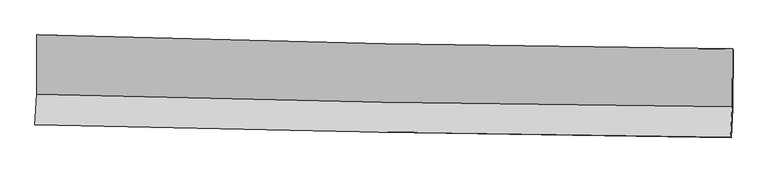
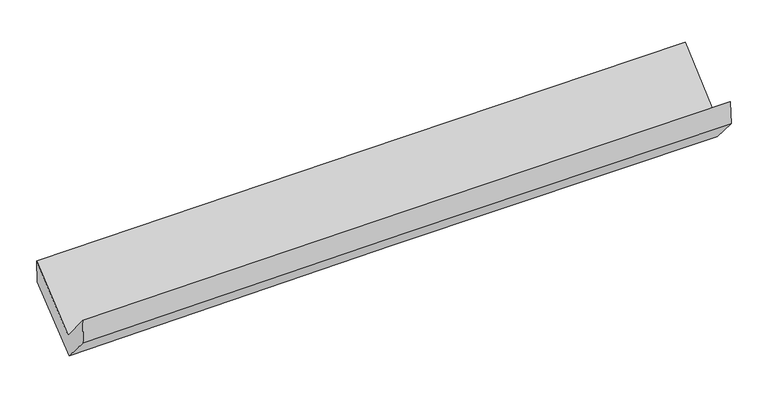
"""IFC4 building model written with IfcOpenShell, lengths in millimetres: proxy geometry."""

from ifc_helpers import new_model, si_unit, frame, origin, place, context, project, spatial, source, transform, mapped, element, save
from ifc_brep_helpers import plane_surface, spline_curve, spline_surface, advanced_brep


def generic_models_99c99aaf(model_context):
    return source(origin(), model_context, "Body", "AdvancedBrep", [
        advanced_brep(
        [(-3029.6962504, -1156.3546185, 2180.8542767), (-3031.8099884, -1673.8190231, 1749.9325371), (3020.7083655, -1783.0205489, 1883.4616484), (3022.4152774, -1277.6591459, 2318.5188331), (-3046.3717894, -1937.0467965, 2067.1258249), (3006.2221423, -2045.310471, 2198.5823695), (-3040.6924487, -1937.0972579, 1841.192626), (3011.5556143, -2050.8040726, 1980.9881961), (-3026.9782565, -1681.6112049, 1550.0063536), (3025.0918258, -1798.6336788, 1693.5808949), (-3024.47752, -1159.582491, 1970.0785913), (3027.5553202, -1284.3792395, 2107.3972374)],
        [
            (0, 1),
            (1, 2, spline_curve(3, [(-3031.8099884, -1673.8190231, 1749.9325371), (-2023.513669524, -1702.043108338, 1781.266270551), (-1015.000150335, -1725.255187476, 1808.060417504), (1002.505948149, -1761.656139716, 1852.570523396), (2011.498547125, -1774.844569382, 1870.286080223), (3020.7083655, -1783.0205489, 1883.4616484)], [4, 2, 4], [0.0, 9.932693478834933, 19.865826718434327])),
            (2, 3),
            (3, 0, spline_curve(3, [(3022.4152774, -1277.6591459, 2318.5188331), (2013.146395952, -1268.911152005, 2308.261649599), (1004.158169715, -1254.42809366, 2291.660617134), (-1013.212314703, -1213.992743639, 2245.771869884), (-2021.594597748, -1188.040959259, 2216.484716879), (-3029.6962504, -1156.3546185, 2180.8542767)], [4, 2, 4], [0.0, 9.933133239599394, 19.865826718434327])),
            (1, 4),
            (4, 5, spline_curve(3, [(-3046.3717894, -1937.0467965, 2067.1258249), (-2037.919982675, -1962.670879559, 2094.862957651), (-1029.322420255, -1984.504777884, 2119.686058251), (988.208877427, -2020.593005184, 2163.505164553), (1997.142625525, -2034.846998112, 2182.500912243), (3006.2221423, -2045.310471, 2198.5823695)], [4, 2, 4], [0.0, 9.93265582174557, 19.86575140258837])),
            (5, 2),
            (4, 6),
            (6, 7, spline_curve(3, [(-3040.6924487, -1937.0972579, 1841.192626), (-2031.915730273, -1951.497009275, 1867.177800468), (-1023.184529349, -1968.172192413, 1891.81979053), (994.23149577, -2006.074262808, 1938.418432803), (2002.916315943, -2027.301350788, 1960.374966427), (3011.5556143, -2050.8040726, 1980.9881961)], [4, 2, 4], [0.0, 9.932482810912427, 19.865405373262192])),
            (7, 5),
            (6, 8),
            (8, 9, spline_curve(3, [(-3026.9782565, -1681.6112049, 1550.0063536), (-2018.409732954, -1699.889487226, 1580.412023859), (-1009.797462818, -1718.780271859, 1607.579211143), (1007.559227124, -1757.787708831, 1655.437678278), (2016.303651226, -1777.904415619, 1676.128671514), (3025.0918258, -1798.6336788, 1693.5808949)], [4, 2, 4], [0.0, 9.932427961408303, 19.865295671825532])),
            (9, 7),
            (8, 10),
            (10, 11, spline_curve(3, [(-3024.47752, -1159.582491, 1970.0785913), (-2015.952466808, -1186.935223674, 1993.182125769), (-1007.365035873, -1211.011161174, 2016.176862622), (1009.979238505, -1252.610367688, 2061.949754232), (2018.736087862, -1270.133346184, 2084.727899495), (3027.5553202, -1284.3792395, 2107.3972374)], [4, 2, 4], [0.0, 9.932365835925994, 19.865171418110364])),
            (11, 9),
            (10, 0),
            (3, 11),
        ],
        [
            spline_surface(3, 3, [[(-3029.6962504, -1156.3546185, 2180.8542767), (-2021.594597748, -1188.040959315, 2216.484716943), (-1013.21231469, -1213.992743522, 2245.771869937), (1004.158169703, -1254.428093777, 2291.660617082), (2013.146395959, -1268.911152051, 2308.261649596), (3022.4152774, -1277.6591459, 2318.5188331)], [(-3030.400829733, -1328.842753361, 2037.213696833), (-2022.234288321, -1359.37500894, 2071.411901522), (-1013.808259939, -1384.413558151, 2099.868052497), (1003.607429233, -1423.504109124, 2145.297252504), (2012.597113072, -1437.555624438, 2162.269793138), (3021.846306787, -1446.112946895, 2173.499771538)], [(-3031.105409067, -1501.330888239, 1893.573116967), (-2022.873978894, -1530.709058582, 1926.339086101), (-1014.404205209, -1554.834372763, 1953.964235024), (1003.056688742, -1592.580124453, 1998.933887894), (2012.047830123, -1606.20009684, 2016.277936666), (3021.277336113, -1614.566747905, 2028.480709962)], [(-3031.8099884, -1673.8190231, 1749.9325371), (-2023.513669468, -1702.043108207, 1781.266270679), (-1015.000150458, -1725.255187392, 1808.060417584), (1002.505948272, -1761.656139799, 1852.570523316), (2011.498547236, -1774.844569227, 1870.286080209), (3020.7083655, -1783.0205489, 1883.4616484)]], [4, 4], [4, 2, 4], [0.0, 2.2045897825052267], [0.0, 9.932693478834933, 19.865826718434327]),
            spline_surface(3, 3, [[(-3031.8099884, -1673.8190231, 1749.9325371), (-2023.513669468, -1702.043108207, 1781.266270679), (-1015.000150458, -1725.255187392, 1808.060417584), (1002.505948272, -1761.656139799, 1852.570523316), (2011.498547236, -1774.844569227, 1870.286080209), (3020.7083655, -1783.0205489, 1883.4616484)], [(-3036.663922061, -1761.561614235, 1855.663633005), (-2028.31577388, -1788.919031958, 1885.798499686), (-1019.774240383, -1811.671717586, 1911.935631126), (997.740257985, -1847.968428229, 1956.215403699), (2006.713239989, -1861.512045513, 1974.357690877), (3015.879624425, -1870.450522935, 1988.501888769)], [(-3041.517855739, -1849.304205365, 1961.394728995), (-2033.11787831, -1875.794955703, 1990.330728778), (-1024.54833031, -1898.088247783, 2015.810844733), (992.974567695, -1934.280716662, 2059.860284146), (2001.927932769, -1948.179521795, 2078.429301538), (3011.050883375, -1957.880496965, 2093.542129131)], [(-3046.3717894, -1937.0467965, 2067.1258249), (-2037.919982722, -1962.670879453, 2094.862957784), (-1029.322420235, -1984.504777977, 2119.686058275), (988.208877407, -2020.593005092, 2163.505164529), (1997.142625523, -2034.846998081, 2182.500912206), (3006.2221423, -2045.310471, 2198.5823695)]], [4, 4], [4, 2, 4], [0.0, 1.329567726204981], [0.0, 9.93265582174557, 19.86575140258837]),
            spline_surface(3, 3, [[(-3046.3717894, -1937.0467965, 2067.1258249), (-2037.919982722, -1962.670879453, 2094.862957784), (-1029.322420235, -1984.504777977, 2119.686058275), (988.208877407, -2020.593005092, 2163.505164529), (1997.142625523, -2034.846998081, 2182.500912206), (3006.2221423, -2045.310471, 2198.5823695)], [(-3044.478675839, -1937.063616962, 1991.814758605), (-2035.918565206, -1958.946256012, 2018.967905393), (-1027.276456581, -1979.060582819, 2043.730635713), (990.216416854, -2015.753424257, 2088.476253986), (1999.067188978, -2032.331782324, 2108.45893022), (3007.999966302, -2047.141671543, 2126.050978361)], [(-3042.585562261, -1937.080437438, 1916.503692295), (-2033.917147674, -1955.221632585, 1943.072852987), (-1025.230492954, -1973.616387726, 1967.775213073), (992.223956274, -2010.913843488, 2013.447343364), (2000.991752427, -2029.816566536, 2034.41694825), (3009.777790298, -2048.972872057, 2053.519587239)], [(-3040.6924487, -1937.0972579, 1841.192626), (-2031.915730158, -1951.497009144, 1867.177800596), (-1023.1845293, -1968.172192568, 1891.819790511), (994.23149572, -2006.074262653, 1938.418432822), (2002.916315883, -2027.301350779, 1960.374966264), (3011.5556143, -2050.8040726, 1980.9881961)]], [4, 4], [4, 2, 4], [0.0, 0.745021575083369], [0.0, 9.932482810912427, 19.865405373262192]),
            spline_surface(3, 3, [[(-3040.6924487, -1937.0972579, 1841.192626), (-2031.915730158, -1951.497009144, 1867.177800596), (-1023.1845293, -1968.172192568, 1891.819790511), (994.23149572, -2006.074262653, 1938.418432822), (2002.916315883, -2027.301350779, 1960.374966264), (3011.5556143, -2050.8040726, 1980.9881961)], [(-3036.121051305, -1851.935240239, 1744.130535198), (-2027.413731099, -1867.627835185, 1771.589208384), (-1018.722173867, -1885.041552337, 1797.072930678), (998.674072885, -1923.312078084, 1844.091514624), (2007.378761039, -1944.16903906, 1865.626201377), (3016.067684794, -1966.747274671, 1885.185762373)], [(-3031.549653895, -1766.773222561, 1647.068444402), (-2022.911732025, -1783.758661211, 1676.000616177), (-1014.259818387, -1801.91091204, 1702.326070936), (1003.116650096, -1840.549893449, 1749.764596516), (2011.841206214, -1861.036727327, 1770.877436472), (3020.579755306, -1882.690476729, 1789.383328627)], [(-3026.9782565, -1681.6112049, 1550.0063536), (-2018.409732967, -1699.889487253, 1580.412023965), (-1009.797462954, -1718.78027181, 1607.579211103), (1007.559227261, -1757.78770888, 1655.437678318), (2016.303651371, -1777.904415608, 1676.128671586), (3025.0918258, -1798.6336788, 1693.5808949)]], [4, 4], [4, 2, 4], [0.0, 1.2386392428515567], [0.0, 9.932427961408303, 19.865295671825532]),
            spline_surface(3, 3, [[(-3026.9782565, -1681.6112049, 1550.0063536), (-2018.409732967, -1699.889487253, 1580.412023965), (-1009.797462954, -1718.78027181, 1607.579211103), (1007.559227261, -1757.78770888, 1655.437678318), (2016.303651371, -1777.904415608, 1676.128671586), (3025.0918258, -1798.6336788, 1693.5808949)], [(-3026.144677664, -1507.601633594, 1690.030432846), (-2017.590644272, -1528.904732692, 1718.002057908), (-1008.986653945, -1549.523901612, 1743.778428282), (1008.365897716, -1589.395261768, 1790.941703653), (2017.114463508, -1608.64739242, 1812.32841422), (3025.912990624, -1627.215532355, 1831.519675749)], [(-3025.311098836, -1333.592062306, 1830.054512054), (-2016.771555585, -1357.919978149, 1855.592091814), (-1008.175844969, -1380.267531465, 1879.977645406), (1009.172568138, -1421.002814708, 1926.445728934), (2017.925275573, -1439.390369268, 1948.528156807), (3026.734155376, -1455.797385945, 1969.458456551)], [(-3024.47752, -1159.582491, 1970.0785913), (-2015.95246689, -1186.935223588, 1993.182125758), (-1007.36503596, -1211.011161267, 2016.176862585), (1009.979238593, -1252.610367596, 2061.949754269), (2018.73608771, -1270.13334608, 2084.727899441), (3027.5553202, -1284.3792395, 2107.3972374)]], [4, 4], [4, 2, 4], [0.0, 2.1328535170944183], [0.0, 9.932365835925994, 19.865171418110364]),
            spline_surface(3, 3, [[(-3024.47752, -1159.582491, 1970.0785913), (-2015.95246689, -1186.935223588, 1993.182125758), (-1007.36503596, -1211.011161267, 2016.176862585), (1009.979238593, -1252.610367596, 2061.949754269), (2018.73608771, -1270.13334608, 2084.727899441), (3027.5553202, -1284.3792395, 2107.3972374)], [(-3026.217096798, -1158.506533509, 2040.337153113), (-2017.833177174, -1187.303802173, 2067.616322832), (-1009.314128882, -1212.00502203, 2092.708531698), (1008.038882284, -1253.216276334, 2138.52004187), (2016.872857095, -1269.725948071, 2159.239149468), (3025.841972569, -1282.1392083, 2177.771102609)], [(-3027.956673602, -1157.430575991, 2110.595714887), (-2019.713887464, -1187.67238073, 2142.050519868), (-1011.263221768, -1212.998882759, 2169.240200823), (1006.098526011, -1253.822185038, 2215.090329481), (2015.009626574, -1269.31855006, 2233.750399568), (3024.128625031, -1279.8991771, 2248.144967891)], [(-3029.6962504, -1156.3546185, 2180.8542767), (-2021.594597748, -1188.040959315, 2216.484716943), (-1013.21231469, -1213.992743522, 2245.771869937), (1004.158169703, -1254.428093777, 2291.660617082), (2013.146395959, -1268.911152051, 2308.261649596), (3022.4152774, -1277.6591459, 2318.5188331)]], [4, 4], [4, 2, 4], [0.0, 0.7537387290933044], [0.0, 9.93248224947233, 19.865404250357138]),
            plane_surface(frame((3018.9247576, -1706.6345261, 2030.4215299), z_axis=(0.9993714450115717, -0.025006932991252066, 0.025127041167918522), x_axis=(0.0037321061974116224, 0.7790771208481269, 0.626916989045858))),
            plane_surface(frame((-3033.3377089, -1590.9185653, 1893.1983683), z_axis=(-0.9993714450115871, 0.02500693299097703, -0.025127041167580626), x_axis=(0.02474915537682498, -0.015307768622049937, -0.9995764860819545))),
        ],
        [
            (0, [[1, 2, 3, 4]]),
            (1, [[5, 6, 7, -2]]),
            (2, [[8, 9, 10, -6]]),
            (3, [[11, 12, 13, -9]]),
            (4, [[14, 15, 16, -12]]),
            (5, [[17, -4, 18, -15]]),
            (6, [[-16, -18, -3, -7, -10, -13]]),
            (7, [[-17, -14, -11, -8, -5, -1]]),
        ],
    ),
    ])


if __name__ == "__main__":
    model = new_model("IFC4")
    model_context = context("Model", 3, world=origin())
    ifc_project = project(units=[si_unit("LENGTHUNIT", "METRE", prefix="MILLI")], contexts=[model_context])
    site = spatial("IfcSite", under=ifc_project)
    building = spatial("IfcBuilding", under=site)
    placement = place(None, origin())
    generic_models_shape = generic_models_99c99aaf(model_context)
    element("IfcBuildingElementProxy", 1, Name="Generic Models", at=placement, inside=building, context=model_context, shape_type="MappedRepresentation", body=[
        mapped(generic_models_shape, transform((0.0, 0.0, 0.0), x_axis=(1.0, 0.0, 0.0), y_axis=(0.0, 1.0, 0.0), z_axis=(0.0, 0.0, 1.0))),
    ])
    save(model, "model.ifc")
